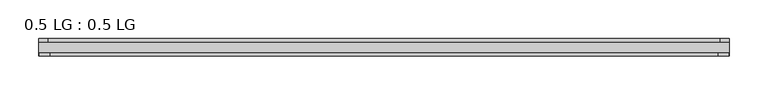
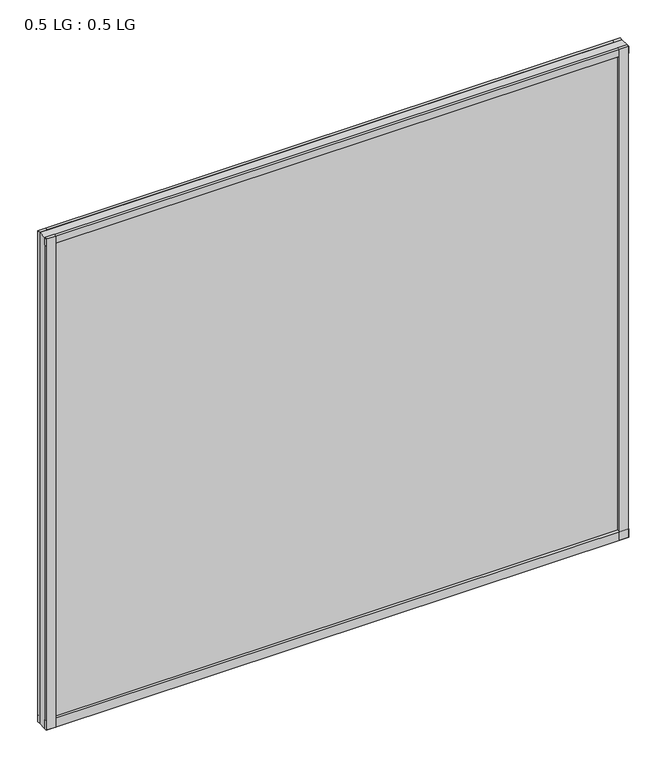
"""IFC4 building model written with IfcOpenShell, lengths in millimetres: plate geometry, 0.5 LG : 0.5 LG."""

from ifc_helpers import new_model, si_unit, frame, origin, origin_with_axes, place, context, project, spatial, polyline, outline, extrude, source, transform, mapped, element, save


def plate_0_5_lg_0_5_lg_b459fc71(model_context):
    return source(origin(), model_context, "Body", "SweptSolid", [
        extrude(outline(polyline([(444.5, -4.6736), (433.0474034, -4.6736), (433.0474034, 0.0), (444.5, 0.0), (444.5, -4.6736)])), origin_with_axes(), (0.0, 0.0, 1.0), 792.4339894),
        extrude(outline(polyline([(430.2806761, -18.288), (443.6843966, -18.288), (443.6843966, -22.479), (430.2806761, -22.479), (430.2806761, -18.288)])), origin_with_axes(), (0.0, 0.0, 1.0), 792.4339894),
        extrude(outline(polyline([(-432.9821913, 0.0), (-432.9821913, -4.6736), (-444.5, -4.6736), (-444.5, 0.0), (-432.9821913, 0.0)])), origin_with_axes(), (0.0, 0.0, 1.0), 792.4339894),
        extrude(outline(polyline([(-430.2909512, -18.288), (-430.2909512, -22.479), (-443.6843966, -22.479), (-443.6843966, -18.288), (-430.2909512, -18.288)])), origin_with_axes(), (0.0, 0.0, 1.0), 792.4339894),
        extrude(outline(polyline([(444.5, 0.0), (444.5, -4.6736), (-444.5, -4.6736), (-444.5, 0.0), (444.5, 0.0)])), origin_with_axes(), (0.0, 0.0, 1.0), 11.444324),
        extrude(outline(polyline([(444.5, -18.288), (444.5, -22.479), (-444.5, -22.479), (-444.5, -18.288), (444.5, -18.288)])), origin_with_axes(), (0.0, 0.0, 1.0), 14.1703966),
        extrude(outline(polyline([(444.5, 0.0), (444.5, -4.6736), (-444.5, -4.6736), (-444.5, 0.0), (444.5, 0.0)])), frame((0.0, 0.0, 780.7688868), z_axis=(0.0, 0.0, 1.0), x_axis=(1.0, 0.0, 0.0)), (0.0, 0.0, 1.0), 11.6651026),
        extrude(outline(polyline([(444.5, -18.288), (444.5, -22.479), (-444.5, -22.479), (-444.5, -18.288), (444.5, -18.288)])), frame((0.0, 0.0, 780.7688868), z_axis=(0.0, 0.0, 1.0), x_axis=(1.0, 0.0, 0.0)), (0.0, 0.0, 1.0), 11.6651026),
        extrude(outline(polyline([(444.5, -4.6736), (444.5, -18.288), (-444.5, -18.288), (-444.5, -4.6736), (444.5, -4.6736)])), origin_with_axes(), (0.0, 0.0, 1.0), 792.4339894),
    ])


if __name__ == "__main__":
    model = new_model("IFC4")
    model_context = context("Model", 3, world=origin())
    ifc_project = project(units=[si_unit("LENGTHUNIT", "METRE", prefix="MILLI")], contexts=[model_context])
    site = spatial("IfcSite", under=ifc_project)
    building = spatial("IfcBuilding", under=site)
    placement = place(None, origin())
    plate_0_5_lg_0_5_lg_shape = plate_0_5_lg_0_5_lg_b459fc71(model_context)
    element("IfcPlate", 1, ObjectType="0.5 LG : 0.5 LG", at=placement, inside=building, context=model_context, shape_type="MappedRepresentation", body=[
        mapped(plate_0_5_lg_0_5_lg_shape, transform((0.0, 0.0, 0.0), x_axis=(1.0, 0.0, 0.0), y_axis=(0.0, 1.0, 0.0), z_axis=(0.0, 0.0, 1.0))),
    ])
    save(model, "model.ifc")
